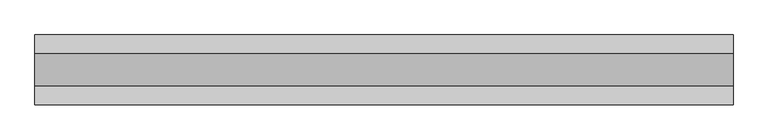
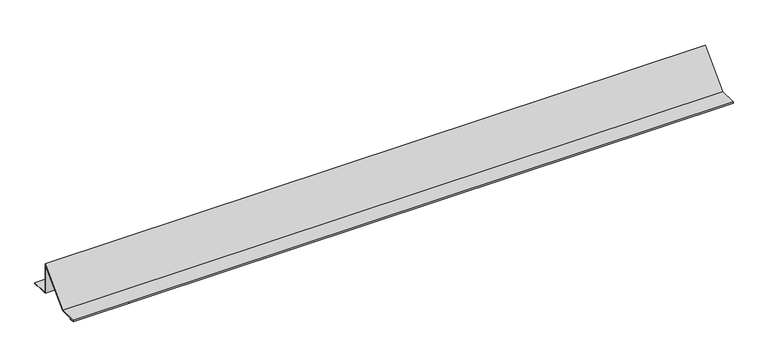
"""IFC4 building model written with IfcOpenShell, lengths in millimetres: proxy geometry."""

from ifc_helpers import new_model, si_unit, frame, origin, place, context, project, spatial, polyline, outline, extrude, source, transform, mapped, element, save


def generic_models_b8c1296d(model_context):
    return source(origin(), model_context, "Body", "SweptSolid", [
        extrude(outline(polyline([(20.0, 2.0), (10.0, 2.0), (10.0, 3.0), (19.0, 3.0), (19.0, 4.0), (-21.0, 4.0), (-21.0, 72.5857864), (-89.5857864, 4.0), (-129.0, 4.0), (-129.0, 3.0), (-120.0, 3.0), (-120.0, 2.0), (-130.0, 2.0), (-130.0, 5.0), (-90.0, 5.0), (-20.0, 75.0), (-20.0, 5.0), (20.0, 5.0), (20.0, 2.0)])), frame((0.0, 0.0, 0.0), z_axis=(1.0, 0.0, 0.0), x_axis=(0.0, 1.0, 0.0)), (0.0, 0.0, 1.0), 1500.0),
    ])


if __name__ == "__main__":
    model = new_model("IFC4")
    model_context = context("Model", 3, world=origin())
    ifc_project = project(units=[si_unit("LENGTHUNIT", "METRE", prefix="MILLI")], contexts=[model_context])
    site = spatial("IfcSite", under=ifc_project)
    building = spatial("IfcBuilding", under=site)
    placement = place(None, origin())
    generic_models_shape = generic_models_b8c1296d(model_context)
    element("IfcBuildingElementProxy", 1, Name="Generic Models", at=placement, inside=building, context=model_context, shape_type="MappedRepresentation", body=[
        mapped(generic_models_shape, transform((0.0, 0.0, 0.0), x_axis=(1.0, 0.0, 0.0), y_axis=(0.0, 1.0, 0.0), z_axis=(0.0, 0.0, 1.0))),
    ])
    save(model, "model.ifc")
